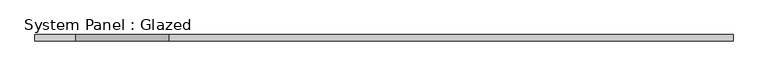
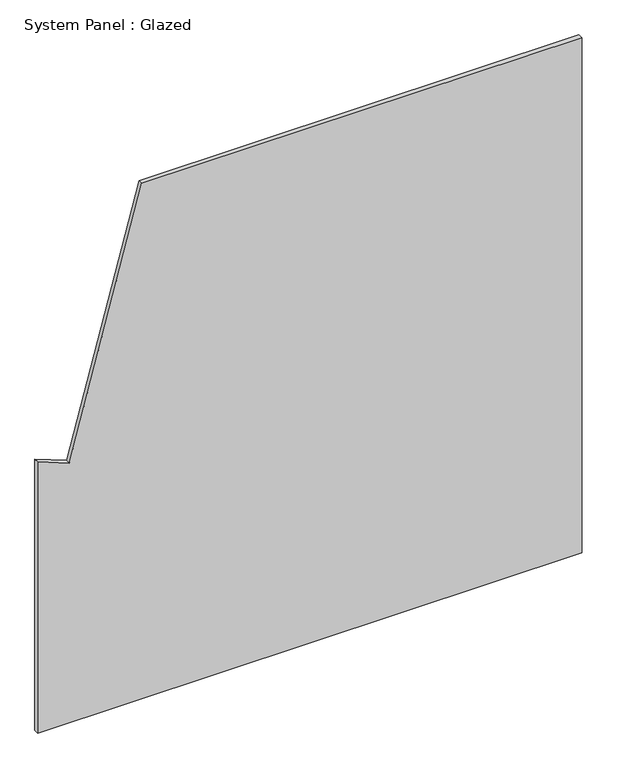
"""IFC4 building model written with IfcOpenShell, lengths in millimetres: plate geometry, System Panel : Glazed."""

from ifc_helpers import new_model, si_unit, frame, origin, place, context, project, spatial, polyline, outline, extrude, source, transform, mapped, element, save


def system_panel_glazed_55340f96(model_context):
    return source(origin(), model_context, "Body", "SweptSolid", [
        extrude(outline(polyline([(0.0, -1425.0), (0.0, 1425.0), (2850.0, 1425.0), (2850.0, -879.539921), (1435.6325263, -1258.5185434), (1500.3372875, -1425.0), (0.0, -1425.0)])), frame((0.0, -2.5, 0.0), z_axis=(0.0, 1.0, 0.0), x_axis=(0.0, 0.0, 1.0)), (0.0, 0.0, 1.0), 25.0),
    ])


if __name__ == "__main__":
    model = new_model("IFC4")
    model_context = context("Model", 3, world=origin())
    ifc_project = project(units=[si_unit("LENGTHUNIT", "METRE", prefix="MILLI")], contexts=[model_context])
    site = spatial("IfcSite", under=ifc_project)
    building = spatial("IfcBuilding", under=site)
    placement = place(None, origin())
    system_panel_glazed_shape = system_panel_glazed_55340f96(model_context)
    element("IfcPlate", 1, ObjectType="System Panel : Glazed", at=placement, inside=building, context=model_context, shape_type="MappedRepresentation", body=[
        mapped(system_panel_glazed_shape, transform((0.0, 0.0, 0.0), x_axis=(1.0, 0.0, 0.0), y_axis=(0.0, 1.0, 0.0), z_axis=(0.0, 0.0, 1.0))),
    ])
    save(model, "model.ifc")
